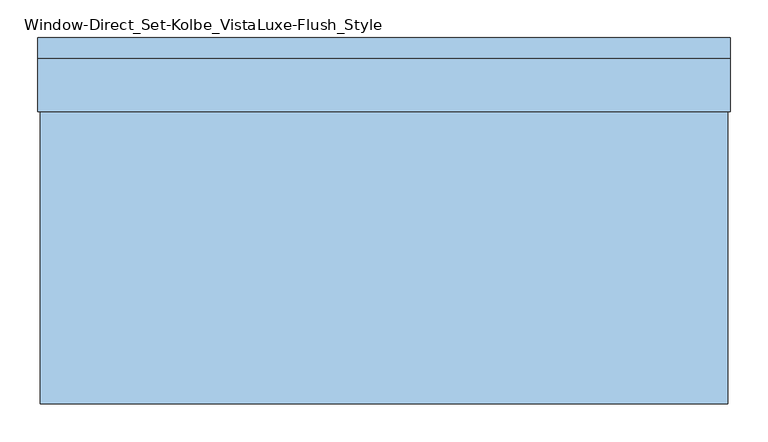
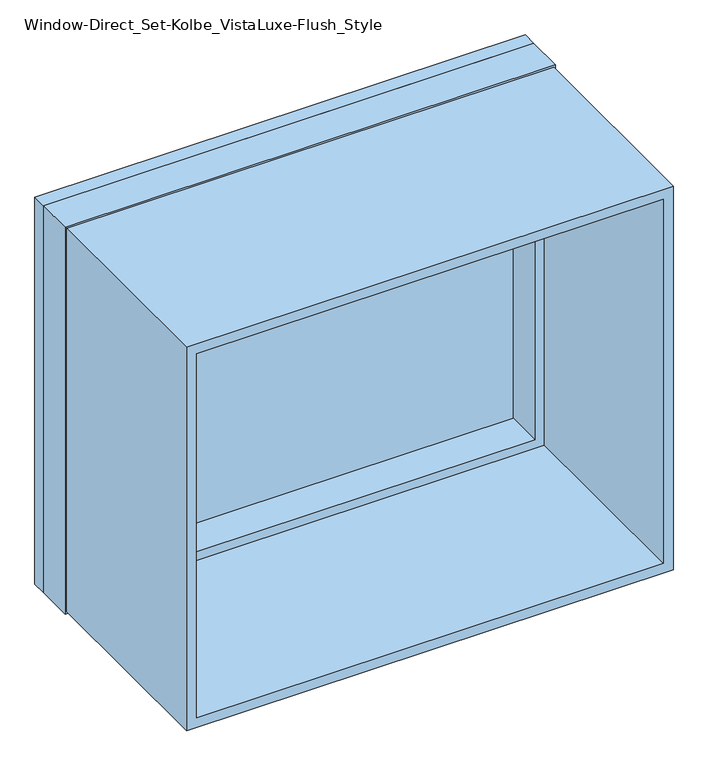
"""IFC4 building model written with IfcOpenShell, lengths in millimetres: window geometry, Window-Direct_Set-Kolbe_VistaLuxe-Flush_Style."""

from ifc_helpers import new_model, si_unit, frame, origin, place, context, project, spatial, polyline, outline, extrude, faceted_brep, source, transform, mapped, element, save


def window_direct_set_kolbe_vistaluxe_flush_style_8ce95414(model_context):
    return source(origin(), model_context, "Body", "SolidModel", [
        extrude(outline(polyline([(1673.225, -460.2003758), (917.575, -460.2003758), (917.575, 447.8496242), (1673.225, 447.8496242), (1673.225, -460.2003758)]), holes=[polyline([(936.625, -441.1503758), (1654.175, -441.1503758), (1654.175, 428.7996242), (936.625, 428.7996242), (936.625, -441.1503758)])]), frame((0.0, -228.6, 0.0), z_axis=(0.0, 1.0, 0.0), x_axis=(0.0, 0.0, 1.0)), (0.0, 0.0, 1.0), 386.5372),
        extrude(outline(polyline([(936.625, -441.1503758), (936.625, 428.7996242), (1654.175, 428.7996242), (1654.175, -441.1503758), (936.625, -441.1503758)]), holes=[polyline([(954.0875, 411.3371242), (954.0875, -423.6878758), (1636.7125, -423.6878758), (1636.7125, 411.3371242), (954.0875, 411.3371242)])]), frame((0.0, 154.74315, 0.0), z_axis=(0.0, 1.0, 0.0), x_axis=(0.0, 0.0, 1.0)), (0.0, 0.0, 1.0), 69.8246),
        faceted_brep([(451.0246242, 255.524, 1676.4), (-463.3753758, 255.524, 1676.4), (-463.3753758, 228.6, 1676.4), (451.0246242, 228.6, 1676.4), (411.3373659, 246.79275, 1636.7127418), (-423.6881176, 246.79275, 1636.7127418), (-423.6881176, 255.524, 1636.7127418), (411.3373659, 255.524, 1636.7127418), (428.7996242, 228.6, 1654.175), (-441.1503758, 228.6, 1654.175), (-441.1503758, 246.79275, 1654.175), (428.7996242, 246.79275, 1654.175), (-463.3753758, 255.524, 914.4), (-463.3753758, 228.6, 914.4), (-423.6881176, 246.79275, 954.0872582), (-423.6881176, 255.524, 954.0872582), (-441.1503758, 228.6, 936.625), (-441.1503758, 246.79275, 936.625), (451.0246242, 255.524, 914.4), (451.0246242, 228.6, 914.4), (411.3373659, 246.79275, 954.0872582), (411.3373659, 255.524, 954.0872582), (428.7996242, 228.6, 936.625), (428.7996242, 246.79275, 936.625)], [[[0, 1, 2, 3]], [[4, 5, 6, 7]], [[8, 9, 10, 11]], [[1, 12, 13, 2]], [[5, 14, 15, 6]], [[9, 16, 17, 10]], [[12, 18, 19, 13]], [[14, 20, 21, 15]], [[16, 22, 23, 17]], [[18, 0, 3, 19]], [[1, 0, 18, 12], [7, 6, 15, 21]], [[20, 4, 7, 21]], [[11, 10, 17, 23], [5, 4, 20, 14]], [[22, 8, 11, 23]], [[3, 2, 13, 19], [9, 8, 22, 16]]]),
        extrude(outline(polyline([(914.4, -463.3753758), (914.4, 451.0246242), (1676.4, 451.0246242), (1676.4, -463.3753758), (914.4, -463.3753758)]), holes=[polyline([(936.625, 428.7996242), (936.625, -441.1503758), (1654.175, -441.1503758), (1654.175, 428.7996242), (936.625, 428.7996242)])]), frame((0.0, 157.9372, 0.0), z_axis=(0.0, 1.0, 0.0), x_axis=(0.0, 0.0, 1.0)), (0.0, 0.0, 1.0), 70.6628),
        extrude(outline(polyline([(426.4183742, 227.74275), (426.4183742, 224.56775), (-438.7691258, 224.56775), (-438.7691258, 227.74275), (426.4183742, 227.74275)])), frame((0.0, 0.0, 946.15), z_axis=(0.0, 0.0, 1.0), x_axis=(1.0, 0.0, 0.0)), (0.0, 0.0, 1.0), 698.5),
        extrude(outline(polyline([(426.4183742, 243.61775), (-438.7691258, 243.61775), (-438.7691258, 246.79275), (426.4183742, 246.79275), (426.4183742, 243.61775)])), frame((0.0, 0.0, 946.15), z_axis=(0.0, 0.0, 1.0), x_axis=(1.0, 0.0, 0.0)), (0.0, 0.0, 1.0), 698.5),
    ])


if __name__ == "__main__":
    model = new_model("IFC4")
    model_context = context("Model", 3, world=origin())
    ifc_project = project(units=[si_unit("LENGTHUNIT", "METRE", prefix="MILLI")], contexts=[model_context])
    site = spatial("IfcSite", under=ifc_project)
    building = spatial("IfcBuilding", under=site)
    placement = place(None, origin())
    window_direct_set_kolbe_vistaluxe_flush_style_shape = window_direct_set_kolbe_vistaluxe_flush_style_8ce95414(model_context)
    element("IfcWindow", 1, ObjectType="Window-Direct_Set-Kolbe_VistaLuxe-Flush_Style", at=placement, inside=building, context=model_context, shape_type="MappedRepresentation", body=[
        mapped(window_direct_set_kolbe_vistaluxe_flush_style_shape, transform((0.0, 0.0, 0.0), x_axis=(1.0, 0.0, 0.0), y_axis=(0.0, 1.0, 0.0), z_axis=(0.0, 0.0, 1.0))),
    ])
    save(model, "model.ifc")
